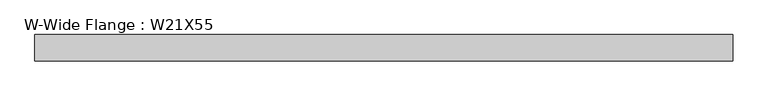
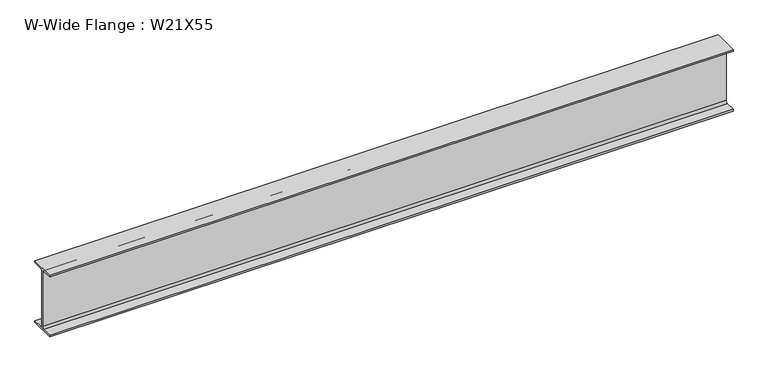
"""IFC4 building model written with IfcOpenShell, lengths in millimetres: beam geometry, W-Wide Flange : W21X55."""

from ifc_helpers import new_model, si_unit, point, frame, frame_2d, origin, place, context, project, spatial, polyline, circle_curve, trimmed, segment, composite_curve, outline, extrude, source, transform, mapped, element, save


def w_wide_flange_w21x55_f72bc300(model_context):
    return source(origin(), model_context, "Body", "SweptSolid", [
        extrude(outline(composite_curve([segment(polyline([(104.394, -250.9012), (104.394, -264.16), (-104.394, -264.16), (-104.394, -250.9012), (-21.6662, -250.9012)]), True, "CONTINUOUS"), segment(trimmed(circle_curve(frame_2d((-21.6662, -233.9975)), 16.9037), [point((-21.6662, -250.9012))], [point((-4.7625, -233.9975))], True, "CARTESIAN"), True, "CONTINUOUS"), segment(polyline([(-4.7625, -233.9975), (-4.7625, 233.9975)]), True, "CONTINUOUS"), segment(trimmed(circle_curve(frame_2d((-21.6662, 233.9975)), 16.9037), [point((-4.7625, 233.9975))], [point((-21.6662, 250.9012))], True, "CARTESIAN"), True, "CONTINUOUS"), segment(polyline([(-21.6662, 250.9012), (-104.394, 250.9012), (-104.394, 264.16), (104.394, 264.16), (104.394, 250.9012), (21.6662, 250.9012)]), True, "CONTINUOUS"), segment(trimmed(circle_curve(frame_2d((21.6662, 233.9975)), 16.9037), [point((21.6662, 250.9012))], [point((4.7625, 233.9975))], True, "CARTESIAN"), True, "CONTINUOUS"), segment(polyline([(4.7625, 233.9975), (4.7625, -233.9975)]), True, "CONTINUOUS"), segment(trimmed(circle_curve(frame_2d((21.6662, -233.9975)), 16.9037), [point((4.7625, -233.9975))], [point((21.6662, -250.9012))], True, "CARTESIAN"), True, "CONTINUOUS"), segment(polyline([(21.6662, -250.9012), (104.394, -250.9012)]), True, "CONTINUOUS")], self_intersect=False)), frame((-2781.3, 0.0, 0.0), z_axis=(1.0, 0.0, 0.0), x_axis=(0.0, 1.0, 0.0)), (0.0, 0.0, 1.0), 5562.6),
    ])


if __name__ == "__main__":
    model = new_model("IFC4")
    model_context = context("Model", 3, world=origin())
    ifc_project = project(units=[si_unit("LENGTHUNIT", "METRE", prefix="MILLI")], contexts=[model_context])
    site = spatial("IfcSite", under=ifc_project)
    building = spatial("IfcBuilding", under=site)
    placement = place(None, origin())
    w_wide_flange_w21x55_shape = w_wide_flange_w21x55_f72bc300(model_context)
    element("IfcBeam", 1, ObjectType="W-Wide Flange : W21X55", at=placement, inside=building, context=model_context, shape_type="MappedRepresentation", body=[
        mapped(w_wide_flange_w21x55_shape, transform((0.0, 0.0, 0.0), x_axis=(1.0, 0.0, 0.0), y_axis=(0.0, 1.0, 0.0), z_axis=(0.0, 0.0, 1.0))),
    ])
    save(model, "model.ifc")
